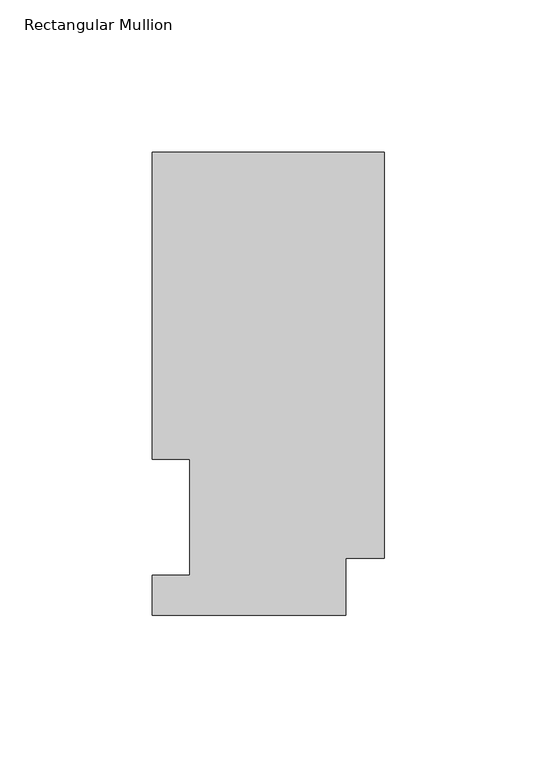
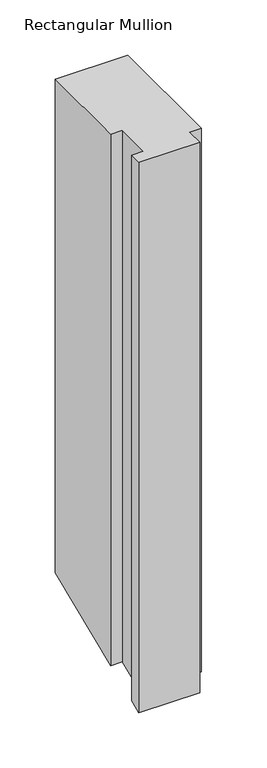
"""IFC4 building model written with IfcOpenShell, lengths in millimetres: member geometry, Rectangular Mullion."""

from ifc_helpers import new_model, si_unit, origin, place, context, project, spatial, faceted_brep, source, transform, mapped, element, save


def rectangular_mullion_b93c78bb(model_context):
    return source(origin(), model_context, "Body", "Brep", [
        faceted_brep([(-76.2, 151.9816937, 0.0), (-76.2, 51.2960938, 0.0), (-63.8581605, 51.2960938, 0.0), (-63.8581605, 13.1960938, 0.0), (-76.2, 13.1960938, 0.0), (-76.2, 0.0134937, 0.0), (-12.7, 0.0134937, 0.0), (-12.7, 18.7332937, 0.0), (0.0, 18.7332937, 0.0), (0.0, 151.9816937, 0.0), (-76.2, 151.9816937, -546.6471212), (-76.2, 51.2960938, -588.3524623), (-63.8581605, 51.2960938, -588.3524623), (-63.8581605, 13.1960937, -604.133999), (-76.2, 13.1960938, -604.133999), (-76.2, 0.0134937, -609.5944107), (-12.7, 0.0134937, -609.5944107), (-12.7, 18.7332937, -601.8404157), (0.0, 18.7332937, -601.8404157), (0.0, 151.9816937, -546.6471212)], [[[0, 1, 2, 3, 4, 5, 6, 7, 8, 9]], [[1, 0, 10, 11]], [[2, 1, 11, 12]], [[3, 2, 12, 13]], [[4, 3, 13, 14]], [[5, 4, 14, 15]], [[6, 5, 15, 16]], [[7, 6, 16, 17]], [[8, 7, 17, 18]], [[9, 8, 18, 19]], [[0, 9, 19, 10]], [[10, 19, 18, 17, 16, 15, 14, 13, 12, 11]]]),
    ])


if __name__ == "__main__":
    model = new_model("IFC4")
    model_context = context("Model", 3, world=origin())
    ifc_project = project(units=[si_unit("LENGTHUNIT", "METRE", prefix="MILLI")], contexts=[model_context])
    site = spatial("IfcSite", under=ifc_project)
    building = spatial("IfcBuilding", under=site)
    placement = place(None, origin())
    rectangular_mullion_shape = rectangular_mullion_b93c78bb(model_context)
    element("IfcMember", 1, ObjectType="Rectangular Mullion", at=placement, inside=building, context=model_context, shape_type="MappedRepresentation", body=[
        mapped(rectangular_mullion_shape, transform((0.0, 0.0, 0.0), x_axis=(1.0, 0.0, 0.0), y_axis=(0.0, 1.0, 0.0), z_axis=(0.0, 0.0, 1.0))),
    ])
    save(model, "model.ifc")
